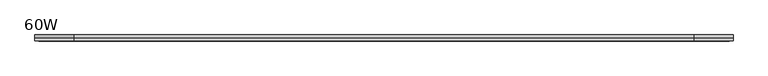
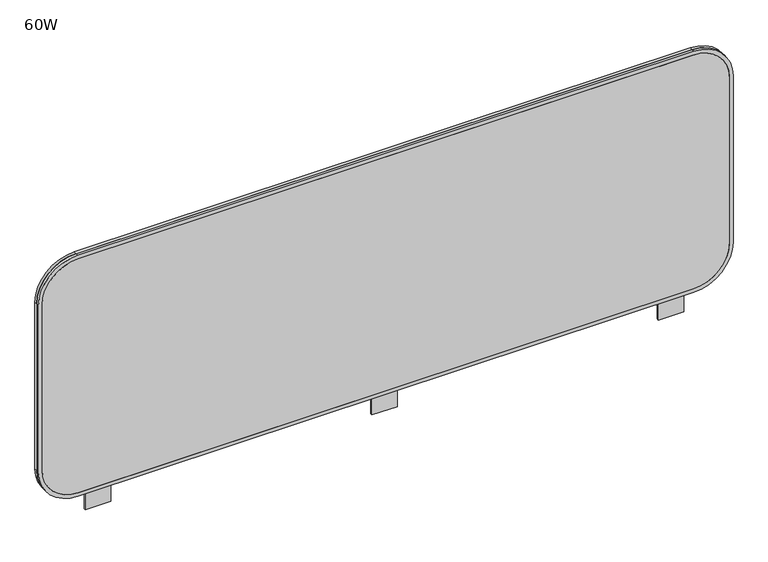
"""IFC4 building model written with IfcOpenShell, lengths in millimetres: furniture geometry, 60W."""

import ifcopenshell
import ifcopenshell.guid

model = None  # the IFC model being written
_history = None  # IfcOwnerHistory: only IFC2X3 demands one
_inside = {}  # id of a spatial element -> (the spatial element, [elements in it])
_under = {}  # id of a project, library or spatial element -> (it, [spatial elements below it])
_declared = {}  # id of a project -> (the project, [libraries it declares])
_typed = {}  # id of a type object -> (the type object, [elements of that type])
_made_of = {}  # id of a material, layer set ... -> (it, [elements and type objects made of it])


def new_model(schema):
    """Start an empty IFC model of exactly this schema.

    Asked for "IFC4X3", IfcOpenShell would pick the latest addendum, in which some entities
    have other attributes; the version numbers below select the first issue.
    IFC2X3 requires an IfcOwnerHistory on every rooted entity: one is made here for all.
    """
    global model, _history
    if schema == "IFC4X3":
        model = ifcopenshell.file(schema_version=(4, 3, 0, 0))
    else:
        model = ifcopenshell.file(schema=schema)
    _inside.clear()
    _under.clear()
    _declared.clear()
    _typed.clear()
    _made_of.clear()
    _history = None
    if model.schema == "IFC2X3":
        org = make("IfcOrganization", Name="unknown")
        user = make(
            "IfcPersonAndOrganization",
            ThePerson=make("IfcPerson", FamilyName="unknown"),
            TheOrganization=org,
        )
        app = make(
            "IfcApplication",
            ApplicationDeveloper=org,
            Version="unknown",
            ApplicationFullName="unknown",
            ApplicationIdentifier="unknown",
        )
        _history = make(
            "IfcOwnerHistory",
            OwningUser=user,
            OwningApplication=app,
            ChangeAction="ADDED",
            CreationDate=0,
        )
    return model


def make(cls, **values):
    """One entity of the class cls with the attributes given. An attribute that is None is left unset."""
    return model.create_entity(
        cls, **{name: value for name, value in values.items() if value is not None}
    )


def rooted(cls, **values):
    """An entity with a GlobalId (a new one), such as an element, a storey or a relation."""
    return make(cls, GlobalId=ifcopenshell.guid.new(), OwnerHistory=_history, **values)


def si_unit(unit_type, name, prefix=None):
    """IfcSIUnit, for example si_unit("LENGTHUNIT", "METRE", prefix="MILLI")."""
    return make("IfcSIUnit", UnitType=unit_type, Prefix=prefix, Name=name)


def assignment(units):
    """IfcUnitAssignment: the units of a project."""
    return None if units is None else make("IfcUnitAssignment", Units=units)


def point(xyz):
    """IfcCartesianPoint."""
    return None if xyz is None else make("IfcCartesianPoint", Coordinates=xyz)


def direction(xyz):
    """IfcDirection."""
    return None if xyz is None else make("IfcDirection", DirectionRatios=xyz)


def frame(location, z_axis=None, x_axis=None):
    """IfcAxis2Placement3D, a coordinate frame: its origin and axes. An axis left out is left unset."""
    return make(
        "IfcAxis2Placement3D",
        Location=point(location),
        Axis=direction(z_axis),
        RefDirection=direction(x_axis),
    )


def frame_2d(location, x_axis=None):
    """IfcAxis2Placement2D, a coordinate frame in the plane: its origin and x axis."""
    return make(
        "IfcAxis2Placement2D", Location=point(location), RefDirection=direction(x_axis)
    )


def origin():
    """The frame at (0, 0, 0) with its axes left unset."""
    return frame((0.0, 0.0, 0.0))


def place(relative_to, where):
    """IfcLocalPlacement: puts the frame where relative to a parent placement (None: the world)."""
    return make(
        "IfcLocalPlacement", PlacementRelTo=relative_to, RelativePlacement=where
    )


def context(
    kind, dimensions, precision=None, world=None, true_north=None, identifier=None
):
    """IfcGeometricRepresentationContext, for example the 3D "Model" context."""
    return make(
        "IfcGeometricRepresentationContext",
        ContextIdentifier=identifier,
        ContextType=kind,
        CoordinateSpaceDimension=dimensions,
        Precision=precision,
        WorldCoordinateSystem=world,
        TrueNorth=true_north,
    )


def project(units=None, contexts=None):
    """IfcProject with its units and contexts."""
    return rooted(
        "IfcProject",
        Name="project",
        RepresentationContexts=contexts,
        UnitsInContext=assignment(units),
    )


def spatial(cls, under=None, at=None, **own):
    """A site, building, storey or space (cls), placed at a placement, below another one or the project."""
    s = rooted(cls, ObjectPlacement=at, **own)
    if under is not None:
        _under.setdefault(under.id(), (under, []))[1].append(s)
    return s


def polyline(points):
    """IfcPolyline through the points."""
    return make("IfcPolyline", Points=[point(p) for p in points])


def circle_curve(where, radius):
    """IfcCircle in the frame where."""
    return make("IfcCircle", Position=where, Radius=radius)


def trimmed(basis, trim1, trim2, sense, master):
    """IfcTrimmedCurve: the piece of a basis curve between two trims."""
    return make(
        "IfcTrimmedCurve",
        BasisCurve=basis,
        Trim1=trim1,
        Trim2=trim2,
        SenseAgreement=sense,
        MasterRepresentation=master,
    )


def segment(curve, same_sense, transition):
    """IfcCompositeCurveSegment."""
    return make(
        "IfcCompositeCurveSegment",
        Transition=transition,
        SameSense=same_sense,
        ParentCurve=curve,
    )


def composite_curve(segments, self_intersect=None):
    """IfcCompositeCurve: segments joined end to end."""
    return make("IfcCompositeCurve", Segments=segments, SelfIntersect=self_intersect)


def outline(outer, holes=None, kind="AREA"):
    """IfcArbitraryClosedProfileDef: a profile drawn as a closed curve; with holes, ...WithVoids."""
    if holes is None:
        return make("IfcArbitraryClosedProfileDef", ProfileType=kind, OuterCurve=outer)
    return make(
        "IfcArbitraryProfileDefWithVoids",
        ProfileType=kind,
        OuterCurve=outer,
        InnerCurves=holes,
    )


def extrude(swept, where, along, depth):
    """IfcExtrudedAreaSolid: the profile swept, set in the frame where, extruded along a direction by depth."""
    return make(
        "IfcExtrudedAreaSolid",
        SweptArea=swept,
        Position=where,
        ExtrudedDirection=direction(along),
        Depth=depth,
    )


def shape(context_of_items, identifier, shape_type, items):
    """IfcShapeRepresentation: the items that make up one representation, for example the "Body"."""
    return make(
        "IfcShapeRepresentation",
        ContextOfItems=context_of_items,
        RepresentationIdentifier=identifier,
        RepresentationType=shape_type,
        Items=items,
    )


def source(mapping_origin, context_of_items, identifier, shape_type, items):
    """IfcRepresentationMap: a shape defined once, which mapped items show again and again."""
    return make(
        "IfcRepresentationMap",
        MappingOrigin=mapping_origin,
        MappedRepresentation=shape(context_of_items, identifier, shape_type, items),
    )


def transform(
    local_origin,
    x_axis=None,
    y_axis=None,
    z_axis=None,
    scale=None,
    scale2=None,
    scale3=None,
    uniform=True,
):
    """IfcCartesianTransformationOperator3D, or its non-uniform kind. x_axis, y_axis, z_axis: its Axis1, 2, 3."""
    if uniform:
        return make(
            "IfcCartesianTransformationOperator3D",
            Axis1=direction(x_axis),
            Axis2=direction(y_axis),
            LocalOrigin=point(local_origin),
            Scale=scale,
            Axis3=direction(z_axis),
        )
    return make(
        "IfcCartesianTransformationOperator3DnonUniform",
        Axis1=direction(x_axis),
        Axis2=direction(y_axis),
        LocalOrigin=point(local_origin),
        Scale=scale,
        Axis3=direction(z_axis),
        Scale2=scale2,
        Scale3=scale3,
    )


def mapped(mapping_source, mapping_target):
    """IfcMappedItem: shows the shape of a source again, moved by a transform."""
    return make(
        "IfcMappedItem", MappingSource=mapping_source, MappingTarget=mapping_target
    )


def made_of(thing, what):
    """Note that an element or type object is made of a material, layer set ...; save() writes the relation."""
    if what is not None:
        _made_of.setdefault(what.id(), (what, []))[1].append(thing)
    return thing


def element(
    cls,
    number,
    at=None,
    inside=None,
    cuts=None,
    type_object=None,
    material=None,
    context=None,
    identifier="Body",
    shape_type=None,
    held_by="IfcProductDefinitionShape",
    body=None,
    shapes=None,
    **own,
):
    """One element of the class cls, such as IfcWall. Its Tag is "e" and its number.

    at: its placement. inside: the storey or other place that contains it. cuts: it is an
    opening in that element (IfcRelVoidsElement). A single representation is given by context,
    identifier, shape_type and body (its items); several are given by shapes. held_by: the class
    of the entity that holds the representations. save() writes the other relations.
    """
    e = rooted(cls, Tag="e%d" % number, ObjectPlacement=at, **own)
    if body is not None:
        shapes = [shape(context, identifier, shape_type, body)]
    if shapes is not None:
        e.Representation = make(held_by, Representations=shapes)
    if inside is not None:
        _inside.setdefault(inside.id(), (inside, []))[1].append(e)
    if cuts is not None:
        rooted(
            "IfcRelVoidsElement", RelatingBuildingElement=cuts, RelatedOpeningElement=e
        )
    if type_object is not None:
        _typed.setdefault(type_object.id(), (type_object, []))[1].append(e)
    return made_of(e, material)


def aggregate(whole, parts):
    """IfcRelAggregates: a whole, such as a stair, and the parts it consists of."""
    return rooted("IfcRelAggregates", RelatingObject=whole, RelatedObjects=parts)


def save(model, path):
    """Write the relations noted so far, then the file.

    IfcRelAggregates (storeys below a building ...), IfcRelContainedInSpatialStructure (elements
    in a storey), IfcRelDefinesByType, IfcRelAssociatesMaterial and IfcRelDeclares: one each for
    every whole, place, type object, material and project.
    """
    for whole, parts in _under.values():
        aggregate(whole, parts)
    for where, things in _inside.values():
        rooted(
            "IfcRelContainedInSpatialStructure",
            RelatedElements=things,
            RelatingStructure=where,
        )
    for kind, things in _typed.values():
        rooted("IfcRelDefinesByType", RelatedObjects=things, RelatingType=kind)
    for what, things in _made_of.values():
        rooted("IfcRelAssociatesMaterial", RelatedObjects=things, RelatingMaterial=what)
    for by, libraries in _declared.values():
        rooted("IfcRelDeclares", RelatingContext=by, RelatedDefinitions=libraries)
    model.write(path)


def furniture_60w_8e360373(model_context):
    return source(origin(), model_context, "Body", "SweptSolid", [
        extrude(outline(polyline([(-27.78125, -3.007879), (-27.78125, 1.749012), (27.78125, 1.749012), (27.78125, -3.007879), (-27.78125, -3.007879)])), frame((0.0, 0.0, 467.36), z_axis=(0.0, 0.0, 1.0), x_axis=(1.0, 0.0, 0.0)), (0.0, 0.0, 1.0), 40.64),
        extrude(outline(polyline([(-656.59, -3.007879), (-656.59, 1.749012), (-600.71, 1.749012), (-600.71, -3.007879), (-656.59, -3.007879)])), frame((0.0, 0.0, 467.36), z_axis=(0.0, 0.0, 1.0), x_axis=(1.0, 0.0, 0.0)), (0.0, 0.0, 1.0), 40.64),
        extrude(outline(polyline([(656.59, 1.749012), (656.59, -3.007879), (600.71, -3.007879), (600.71, 1.749012), (656.59, 1.749012)])), frame((0.0, 0.0, 467.36), z_axis=(0.0, 0.0, 1.0), x_axis=(1.0, 0.0, 0.0)), (0.0, 0.0, 1.0), 40.64),
        extrude(outline(composite_curve([segment(trimmed(circle_curve(frame_2d((979.7198754, -674.8623469)), 78.6981246), [point((1058.418, -674.8623469))], [point((979.7198754, -753.5604715))], False, "CARTESIAN"), True, "CONTINUOUS"), segment(polyline([(979.7198754, -753.5604715), (595.1796738, -753.5604715)]), True, "CONTINUOUS"), segment(trimmed(circle_curve(frame_2d((595.1796738, -674.8209802)), 78.7394913), [point((595.1796738, -753.5604715))], [point((516.4401825, -674.8209802))], False, "CARTESIAN"), True, "CONTINUOUS"), segment(polyline([(516.4401825, -674.8209802), (516.4401825, 674.8209802)]), True, "CONTINUOUS"), segment(trimmed(circle_curve(frame_2d((595.1796738, 674.8209802)), 78.7394913), [point((516.4401825, 674.8209802))], [point((595.1796738, 753.5604715))], False, "CARTESIAN"), True, "CONTINUOUS"), segment(polyline([(595.1796738, 753.5604715), (979.7198754, 753.5604715)]), True, "CONTINUOUS"), segment(trimmed(circle_curve(frame_2d((979.7198754, 674.8623469)), 78.6981246), [point((979.7198754, 753.5604715))], [point((1058.418, 674.8623469))], False, "CARTESIAN"), True, "CONTINUOUS"), segment(polyline([(1058.418, 674.8623469), (1058.418, -674.8623469)]), True, "CONTINUOUS")], self_intersect=False)), frame((0.0, -0.6294403, 0.0), z_axis=(0.0, 1.0, 0.0), x_axis=(0.0, 0.0, 1.0)), (0.0, 0.0, 1.0), 6.6302155),
        extrude(outline(composite_curve([segment(polyline([(1066.8, 675.6405087), (1066.8, -675.6405087)]), True, "CONTINUOUS"), segment(trimmed(circle_curve(frame_2d((980.4405087, -675.6405087)), 86.3594913), [point((1066.8, -675.6405087))], [point((980.4405087, -762.0))], False, "CARTESIAN"), True, "CONTINUOUS"), segment(polyline([(980.4405087, -762.0), (594.3594913, -762.0)]), True, "CONTINUOUS"), segment(trimmed(circle_curve(frame_2d((594.3594913, -675.6405087)), 86.3594913), [point((594.3594913, -762.0))], [point((508.0, -675.6405087))], False, "CARTESIAN"), True, "CONTINUOUS"), segment(polyline([(508.0, -675.6405087), (508.0, 675.6405087)]), True, "CONTINUOUS"), segment(trimmed(circle_curve(frame_2d((594.3594913, 675.6405087)), 86.3594913), [point((508.0, 675.6405087))], [point((594.3594913, 762.0))], False, "CARTESIAN"), True, "CONTINUOUS"), segment(polyline([(594.3594913, 762.0), (980.4405087, 762.0)]), True, "CONTINUOUS"), segment(trimmed(circle_curve(frame_2d((980.4405087, 675.6405087)), 86.3594913), [point((980.4405087, 762.0))], [point((1066.8, 675.6405087))], False, "CARTESIAN"), True, "CONTINUOUS")], self_intersect=False), holes=[composite_curve([segment(polyline([(516.4401825, 674.8209802), (516.4401825, -674.8209802)]), True, "CONTINUOUS"), segment(trimmed(circle_curve(frame_2d((595.1796738, -674.8209802)), 78.7394913), [point((516.4401825, -674.8209802))], [point((595.1796738, -753.5604715))], True, "CARTESIAN"), True, "CONTINUOUS"), segment(polyline([(595.1796738, -753.5604715), (979.7198754, -753.5604715)]), True, "CONTINUOUS"), segment(trimmed(circle_curve(frame_2d((979.7198754, -674.8623469)), 78.6981246), [point((979.7198754, -753.5604715))], [point((1058.418, -674.8623469))], True, "CARTESIAN"), True, "CONTINUOUS"), segment(polyline([(1058.418, -674.8623469), (1058.418, 674.8623469)]), True, "CONTINUOUS"), segment(trimmed(circle_curve(frame_2d((979.7198754, 674.8623469)), 78.6981246), [point((1058.418, 674.8623469))], [point((979.7198754, 753.5604715))], True, "CARTESIAN"), True, "CONTINUOUS"), segment(polyline([(979.7198754, 753.5604715), (595.1796738, 753.5604715)]), True, "CONTINUOUS"), segment(trimmed(circle_curve(frame_2d((595.1796738, 674.8209802)), 78.7394913), [point((595.1796738, 753.5604715))], [point((516.4401825, 674.8209802))], True, "CARTESIAN"), True, "CONTINUOUS")], self_intersect=False)]), frame((0.0, -0.6294403, 0.0), z_axis=(0.0, 1.0, 0.0), x_axis=(0.0, 0.0, 1.0)), (0.0, 0.0, 1.0), 6.6302155),
        extrude(outline(composite_curve([segment(trimmed(circle_curve(frame_2d((595.1796738, 674.8209802)), 78.7394913), [point((516.4401825, 674.8209802))], [point((595.1796738, 753.5604715))], False, "CARTESIAN"), True, "CONTINUOUS"), segment(polyline([(595.1796738, 753.5604715), (979.7198754, 753.5604715)]), True, "CONTINUOUS"), segment(trimmed(circle_curve(frame_2d((979.7198754, 674.8623469)), 78.6981246), [point((979.7198754, 753.5604715))], [point((1058.418, 674.8623469))], False, "CARTESIAN"), True, "CONTINUOUS"), segment(polyline([(1058.418, 674.8623469), (1058.418, -674.9281585)]), True, "CONTINUOUS"), segment(trimmed(circle_curve(frame_2d((979.785687, -674.9281585)), 78.632313), [point((1058.418, -674.9281585))], [point((979.785687, -753.5604715))], False, "CARTESIAN"), True, "CONTINUOUS"), segment(polyline([(979.785687, -753.5604715), (595.1796738, -753.5604715)]), True, "CONTINUOUS"), segment(trimmed(circle_curve(frame_2d((595.1796738, -674.8209802)), 78.7394913), [point((595.1796738, -753.5604715))], [point((516.4401825, -674.8209802))], False, "CARTESIAN"), True, "CONTINUOUS"), segment(polyline([(516.4401825, -674.8209802), (516.4401825, 674.8209802)]), True, "CONTINUOUS")], self_intersect=False)), frame((0.0, -7.2596558, 0.0), z_axis=(0.0, 1.0, 0.0), x_axis=(0.0, 0.0, 1.0)), (0.0, 0.0, 1.0), 6.6302155),
        extrude(outline(composite_curve([segment(polyline([(1066.8, 675.6405087), (1066.8, -675.6405087)]), True, "CONTINUOUS"), segment(trimmed(circle_curve(frame_2d((980.4405087, -675.6405087)), 86.3594913), [point((1066.8, -675.6405087))], [point((980.4405087, -762.0))], False, "CARTESIAN"), True, "CONTINUOUS"), segment(polyline([(980.4405087, -762.0), (594.3594913, -762.0)]), True, "CONTINUOUS"), segment(trimmed(circle_curve(frame_2d((594.3594913, -675.6405087)), 86.3594913), [point((594.3594913, -762.0))], [point((508.0, -675.6405087))], False, "CARTESIAN"), True, "CONTINUOUS"), segment(polyline([(508.0, -675.6405087), (508.0, 675.6405087)]), True, "CONTINUOUS"), segment(trimmed(circle_curve(frame_2d((594.3594913, 675.6405087)), 86.3594913), [point((508.0, 675.6405087))], [point((594.3594913, 762.0))], False, "CARTESIAN"), True, "CONTINUOUS"), segment(polyline([(594.3594913, 762.0), (980.4405087, 762.0)]), True, "CONTINUOUS"), segment(trimmed(circle_curve(frame_2d((980.4405087, 675.6405087)), 86.3594913), [point((980.4405087, 762.0))], [point((1066.8, 675.6405087))], False, "CARTESIAN"), True, "CONTINUOUS")], self_intersect=False), holes=[composite_curve([segment(polyline([(516.4401825, 674.8209802), (516.4401825, -674.8209802)]), True, "CONTINUOUS"), segment(trimmed(circle_curve(frame_2d((595.1796738, -674.8209802)), 78.7394913), [point((516.4401825, -674.8209802))], [point((595.1796738, -753.5604715))], True, "CARTESIAN"), True, "CONTINUOUS"), segment(polyline([(595.1796738, -753.5604715), (979.7198754, -753.5604715)]), True, "CONTINUOUS"), segment(trimmed(circle_curve(frame_2d((979.7198754, -674.8623469)), 78.6981246), [point((979.7198754, -753.5604715))], [point((1058.418, -674.8623469))], True, "CARTESIAN"), True, "CONTINUOUS"), segment(polyline([(1058.418, -674.8623469), (1058.418, 674.8623469)]), True, "CONTINUOUS"), segment(trimmed(circle_curve(frame_2d((979.7198754, 674.8623469)), 78.6981246), [point((1058.418, 674.8623469))], [point((979.7198754, 753.5604715))], True, "CARTESIAN"), True, "CONTINUOUS"), segment(polyline([(979.7198754, 753.5604715), (595.1796738, 753.5604715)]), True, "CONTINUOUS"), segment(trimmed(circle_curve(frame_2d((595.1796738, 674.8209802)), 78.7394913), [point((595.1796738, 753.5604715))], [point((516.4401825, 674.8209802))], True, "CARTESIAN"), True, "CONTINUOUS")], self_intersect=False)]), frame((0.0, -7.2596558, 0.0), z_axis=(0.0, 1.0, 0.0), x_axis=(0.0, 0.0, 1.0)), (0.0, 0.0, 1.0), 6.6302155),
    ])


if __name__ == "__main__":
    model = new_model("IFC4")
    model_context = context("Model", 3, world=origin())
    ifc_project = project(units=[si_unit("LENGTHUNIT", "METRE", prefix="MILLI")], contexts=[model_context])
    site = spatial("IfcSite", under=ifc_project)
    building = spatial("IfcBuilding", under=site)
    placement = place(None, origin())
    furniture_60w_shape = furniture_60w_8e360373(model_context)
    element("IfcFurniture", 1, ObjectType="60W", at=placement, inside=building, context=model_context, shape_type="MappedRepresentation", body=[
        mapped(furniture_60w_shape, transform((0.0, 0.0, 0.0), x_axis=(1.0, 0.0, 0.0), y_axis=(0.0, 1.0, 0.0), z_axis=(0.0, 0.0, 1.0))),
    ])
    save(model, "model.ifc")
